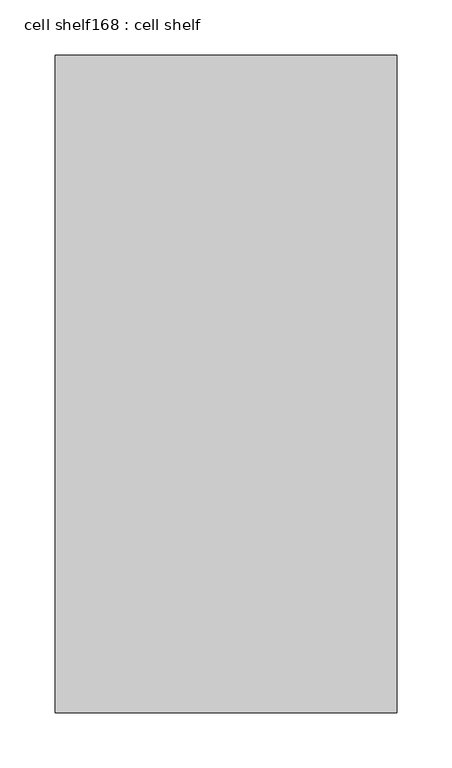
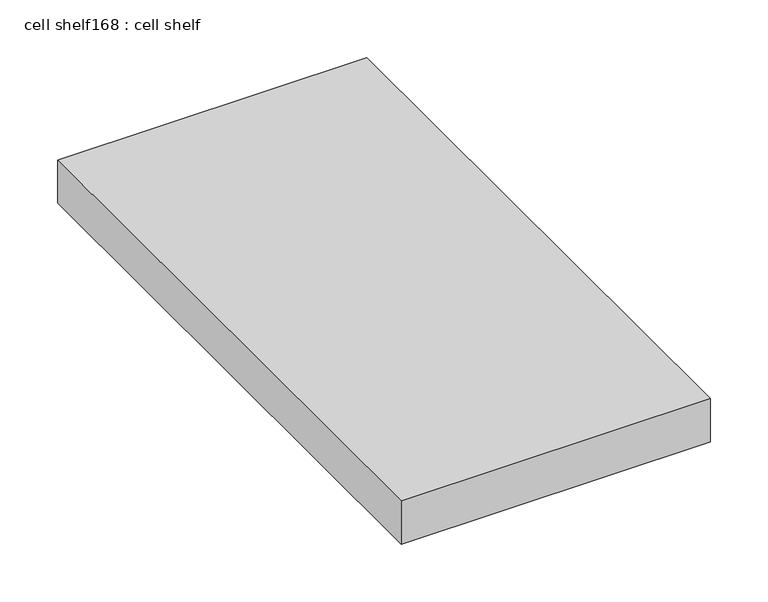
"""IFC4 building model written with IfcOpenShell, lengths in millimetres: proxy geometry, cell shelf168 : cell shelf."""

import ifcopenshell
import ifcopenshell.guid

model = None  # the IFC model being written
_history = None  # IfcOwnerHistory: only IFC2X3 demands one
_inside = {}  # id of a spatial element -> (the spatial element, [elements in it])
_under = {}  # id of a project, library or spatial element -> (it, [spatial elements below it])
_declared = {}  # id of a project -> (the project, [libraries it declares])
_typed = {}  # id of a type object -> (the type object, [elements of that type])
_made_of = {}  # id of a material, layer set ... -> (it, [elements and type objects made of it])


def new_model(schema):
    """Start an empty IFC model of exactly this schema.

    Asked for "IFC4X3", IfcOpenShell would pick the latest addendum, in which some entities
    have other attributes; the version numbers below select the first issue.
    IFC2X3 requires an IfcOwnerHistory on every rooted entity: one is made here for all.
    """
    global model, _history
    if schema == "IFC4X3":
        model = ifcopenshell.file(schema_version=(4, 3, 0, 0))
    else:
        model = ifcopenshell.file(schema=schema)
    _inside.clear()
    _under.clear()
    _declared.clear()
    _typed.clear()
    _made_of.clear()
    _history = None
    if model.schema == "IFC2X3":
        org = make("IfcOrganization", Name="unknown")
        user = make(
            "IfcPersonAndOrganization",
            ThePerson=make("IfcPerson", FamilyName="unknown"),
            TheOrganization=org,
        )
        app = make(
            "IfcApplication",
            ApplicationDeveloper=org,
            Version="unknown",
            ApplicationFullName="unknown",
            ApplicationIdentifier="unknown",
        )
        _history = make(
            "IfcOwnerHistory",
            OwningUser=user,
            OwningApplication=app,
            ChangeAction="ADDED",
            CreationDate=0,
        )
    return model


def make(cls, **values):
    """One entity of the class cls with the attributes given. An attribute that is None is left unset."""
    return model.create_entity(
        cls, **{name: value for name, value in values.items() if value is not None}
    )


def rooted(cls, **values):
    """An entity with a GlobalId (a new one), such as an element, a storey or a relation."""
    return make(cls, GlobalId=ifcopenshell.guid.new(), OwnerHistory=_history, **values)


def si_unit(unit_type, name, prefix=None):
    """IfcSIUnit, for example si_unit("LENGTHUNIT", "METRE", prefix="MILLI")."""
    return make("IfcSIUnit", UnitType=unit_type, Prefix=prefix, Name=name)


def assignment(units):
    """IfcUnitAssignment: the units of a project."""
    return None if units is None else make("IfcUnitAssignment", Units=units)


def point(xyz):
    """IfcCartesianPoint."""
    return None if xyz is None else make("IfcCartesianPoint", Coordinates=xyz)


def direction(xyz):
    """IfcDirection."""
    return None if xyz is None else make("IfcDirection", DirectionRatios=xyz)


def frame(location, z_axis=None, x_axis=None):
    """IfcAxis2Placement3D, a coordinate frame: its origin and axes. An axis left out is left unset."""
    return make(
        "IfcAxis2Placement3D",
        Location=point(location),
        Axis=direction(z_axis),
        RefDirection=direction(x_axis),
    )


def origin():
    """The frame at (0, 0, 0) with its axes left unset."""
    return frame((0.0, 0.0, 0.0))


def place(relative_to, where):
    """IfcLocalPlacement: puts the frame where relative to a parent placement (None: the world)."""
    return make(
        "IfcLocalPlacement", PlacementRelTo=relative_to, RelativePlacement=where
    )


def context(
    kind, dimensions, precision=None, world=None, true_north=None, identifier=None
):
    """IfcGeometricRepresentationContext, for example the 3D "Model" context."""
    return make(
        "IfcGeometricRepresentationContext",
        ContextIdentifier=identifier,
        ContextType=kind,
        CoordinateSpaceDimension=dimensions,
        Precision=precision,
        WorldCoordinateSystem=world,
        TrueNorth=true_north,
    )


def project(units=None, contexts=None):
    """IfcProject with its units and contexts."""
    return rooted(
        "IfcProject",
        Name="project",
        RepresentationContexts=contexts,
        UnitsInContext=assignment(units),
    )


def spatial(cls, under=None, at=None, **own):
    """A site, building, storey or space (cls), placed at a placement, below another one or the project."""
    s = rooted(cls, ObjectPlacement=at, **own)
    if under is not None:
        _under.setdefault(under.id(), (under, []))[1].append(s)
    return s


def polyline(points):
    """IfcPolyline through the points."""
    return make("IfcPolyline", Points=[point(p) for p in points])


def outline(outer, holes=None, kind="AREA"):
    """IfcArbitraryClosedProfileDef: a profile drawn as a closed curve; with holes, ...WithVoids."""
    if holes is None:
        return make("IfcArbitraryClosedProfileDef", ProfileType=kind, OuterCurve=outer)
    return make(
        "IfcArbitraryProfileDefWithVoids",
        ProfileType=kind,
        OuterCurve=outer,
        InnerCurves=holes,
    )


def extrude(swept, where, along, depth):
    """IfcExtrudedAreaSolid: the profile swept, set in the frame where, extruded along a direction by depth."""
    return make(
        "IfcExtrudedAreaSolid",
        SweptArea=swept,
        Position=where,
        ExtrudedDirection=direction(along),
        Depth=depth,
    )


def shape(context_of_items, identifier, shape_type, items):
    """IfcShapeRepresentation: the items that make up one representation, for example the "Body"."""
    return make(
        "IfcShapeRepresentation",
        ContextOfItems=context_of_items,
        RepresentationIdentifier=identifier,
        RepresentationType=shape_type,
        Items=items,
    )


def source(mapping_origin, context_of_items, identifier, shape_type, items):
    """IfcRepresentationMap: a shape defined once, which mapped items show again and again."""
    return make(
        "IfcRepresentationMap",
        MappingOrigin=mapping_origin,
        MappedRepresentation=shape(context_of_items, identifier, shape_type, items),
    )


def transform(
    local_origin,
    x_axis=None,
    y_axis=None,
    z_axis=None,
    scale=None,
    scale2=None,
    scale3=None,
    uniform=True,
):
    """IfcCartesianTransformationOperator3D, or its non-uniform kind. x_axis, y_axis, z_axis: its Axis1, 2, 3."""
    if uniform:
        return make(
            "IfcCartesianTransformationOperator3D",
            Axis1=direction(x_axis),
            Axis2=direction(y_axis),
            LocalOrigin=point(local_origin),
            Scale=scale,
            Axis3=direction(z_axis),
        )
    return make(
        "IfcCartesianTransformationOperator3DnonUniform",
        Axis1=direction(x_axis),
        Axis2=direction(y_axis),
        LocalOrigin=point(local_origin),
        Scale=scale,
        Axis3=direction(z_axis),
        Scale2=scale2,
        Scale3=scale3,
    )


def mapped(mapping_source, mapping_target):
    """IfcMappedItem: shows the shape of a source again, moved by a transform."""
    return make(
        "IfcMappedItem", MappingSource=mapping_source, MappingTarget=mapping_target
    )


def made_of(thing, what):
    """Note that an element or type object is made of a material, layer set ...; save() writes the relation."""
    if what is not None:
        _made_of.setdefault(what.id(), (what, []))[1].append(thing)
    return thing


def element(
    cls,
    number,
    at=None,
    inside=None,
    cuts=None,
    type_object=None,
    material=None,
    context=None,
    identifier="Body",
    shape_type=None,
    held_by="IfcProductDefinitionShape",
    body=None,
    shapes=None,
    **own,
):
    """One element of the class cls, such as IfcWall. Its Tag is "e" and its number.

    at: its placement. inside: the storey or other place that contains it. cuts: it is an
    opening in that element (IfcRelVoidsElement). A single representation is given by context,
    identifier, shape_type and body (its items); several are given by shapes. held_by: the class
    of the entity that holds the representations. save() writes the other relations.
    """
    e = rooted(cls, Tag="e%d" % number, ObjectPlacement=at, **own)
    if body is not None:
        shapes = [shape(context, identifier, shape_type, body)]
    if shapes is not None:
        e.Representation = make(held_by, Representations=shapes)
    if inside is not None:
        _inside.setdefault(inside.id(), (inside, []))[1].append(e)
    if cuts is not None:
        rooted(
            "IfcRelVoidsElement", RelatingBuildingElement=cuts, RelatedOpeningElement=e
        )
    if type_object is not None:
        _typed.setdefault(type_object.id(), (type_object, []))[1].append(e)
    return made_of(e, material)


def aggregate(whole, parts):
    """IfcRelAggregates: a whole, such as a stair, and the parts it consists of."""
    return rooted("IfcRelAggregates", RelatingObject=whole, RelatedObjects=parts)


def save(model, path):
    """Write the relations noted so far, then the file.

    IfcRelAggregates (storeys below a building ...), IfcRelContainedInSpatialStructure (elements
    in a storey), IfcRelDefinesByType, IfcRelAssociatesMaterial and IfcRelDeclares: one each for
    every whole, place, type object, material and project.
    """
    for whole, parts in _under.values():
        aggregate(whole, parts)
    for where, things in _inside.values():
        rooted(
            "IfcRelContainedInSpatialStructure",
            RelatedElements=things,
            RelatingStructure=where,
        )
    for kind, things in _typed.values():
        rooted("IfcRelDefinesByType", RelatedObjects=things, RelatingType=kind)
    for what, things in _made_of.values():
        rooted("IfcRelAssociatesMaterial", RelatedObjects=things, RelatingMaterial=what)
    for by, libraries in _declared.values():
        rooted("IfcRelDeclares", RelatingContext=by, RelatedDefinitions=libraries)
    model.write(path)


def cell_shelf168_cell_shelf_259cc737(model_context):
    return source(origin(), model_context, "Body", "SweptSolid", [
        extrude(outline(polyline([(-235770.5451094, -29980.3417641), (-235770.5451094, -30575.4281598), (-236079.8929059, -30575.4281598), (-236079.8929059, -29980.3417641), (-235770.5451094, -29980.3417641)])), frame((0.0, 0.0, 1320.0941517), z_axis=(0.0, 0.0, 1.0), x_axis=(1.0, 0.0, 0.0)), (0.0, 0.0, 1.0), 45.8133004),
    ])


if __name__ == "__main__":
    model = new_model("IFC4")
    model_context = context("Model", 3, world=origin())
    ifc_project = project(units=[si_unit("LENGTHUNIT", "METRE", prefix="MILLI")], contexts=[model_context])
    site = spatial("IfcSite", under=ifc_project)
    building = spatial("IfcBuilding", under=site)
    placement = place(None, origin())
    cell_shelf168_cell_shelf_shape = cell_shelf168_cell_shelf_259cc737(model_context)
    element("IfcBuildingElementProxy", 1, Name="cell shelf168 : cell shelf", ObjectType="cell shelf168 : cell shelf", at=placement, inside=building, context=model_context, shape_type="MappedRepresentation", body=[
        mapped(cell_shelf168_cell_shelf_shape, transform((0.0, 0.0, 0.0), x_axis=(1.0, 0.0, 0.0), y_axis=(0.0, 1.0, 0.0), z_axis=(0.0, 0.0, 1.0))),
    ])
    save(model, "model.ifc")
